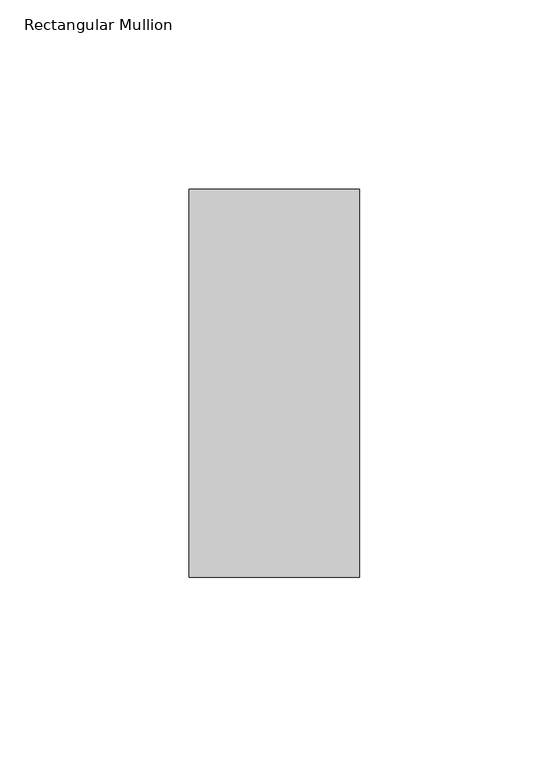
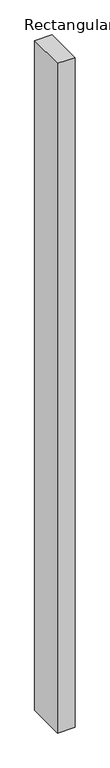
"""IFC4 building model written with IfcOpenShell, lengths in millimetres: member geometry, Rectangular Mullion."""

from ifc_helpers import new_model, si_unit, frame, origin, place, context, project, spatial, polyline, outline, extrude, source, transform, mapped, element, save


def rectangular_mullion_da32879a(model_context):
    return source(origin(), model_context, "Body", "SweptSolid", [
        extrude(outline(polyline([(-45.0, 66.73125), (0.0, 66.73125), (0.0, -35.73125), (-45.0, -35.73125), (-45.0, 66.73125)])), frame((0.0, 0.0, -1828.8), z_axis=(0.0, 0.0, 1.0), x_axis=(1.0, 0.0, 0.0)), (0.0, 0.0, 1.0), 1828.8),
    ])


if __name__ == "__main__":
    model = new_model("IFC4")
    model_context = context("Model", 3, world=origin())
    ifc_project = project(units=[si_unit("LENGTHUNIT", "METRE", prefix="MILLI")], contexts=[model_context])
    site = spatial("IfcSite", under=ifc_project)
    building = spatial("IfcBuilding", under=site)
    placement = place(None, origin())
    rectangular_mullion_shape = rectangular_mullion_da32879a(model_context)
    element("IfcMember", 1, ObjectType="Rectangular Mullion", at=placement, inside=building, context=model_context, shape_type="MappedRepresentation", body=[
        mapped(rectangular_mullion_shape, transform((0.0, 0.0, 0.0), x_axis=(1.0, 0.0, 0.0), y_axis=(0.0, 1.0, 0.0), z_axis=(0.0, 0.0, 1.0))),
    ])
    save(model, "model.ifc")
